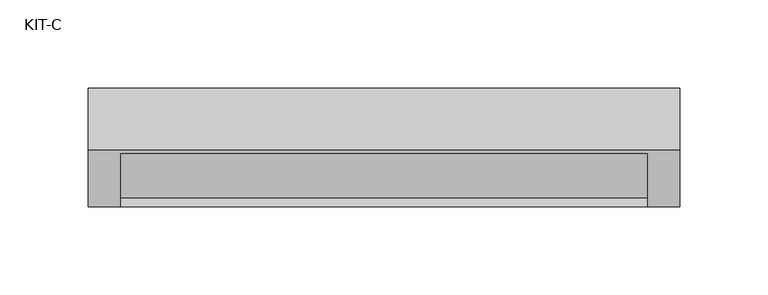
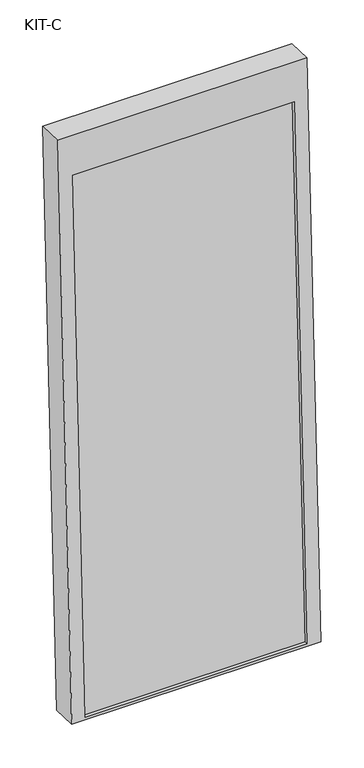
"""IFC4 building model written with IfcOpenShell, lengths in millimetres: plate geometry, KIT-C."""

from ifc_helpers import new_model, si_unit, frame, origin, place, context, project, spatial, polyline, outline, extrude, source, transform, mapped, element, save


def kit_c_53f759d0(model_context):
    return source(origin(), model_context, "Body", "SweptSolid", [
        extrude(outline(polyline([(0.0, -299.0), (0.0, 0.0), (27.4505713, 0.0), (27.4505713, -299.0), (0.0, -299.0)])), frame((-149.5, -68.910687, -49.0767088), z_axis=(0.0, 0.03973683410233643, 0.9992101801000245), x_axis=(0.0, 0.9992101801000245, -0.03973683410233643)), (0.0, 0.0, 1.0), 753.6315929),
        extrude(outline(polyline([(0.0, 0.0), (0.0, -336.0), (-812.1, -336.0), (-812.1, 0.0), (0.0, 0.0)]), holes=[polyline([(-55.0000001, -18.5), (-808.6315929, -18.5), (-808.6315929, -317.5), (-55.0000001, -317.5), (-55.0000001, -18.5)])]), frame((-168.0, -6.8019221, 757.7241058), z_axis=(0.0, -0.9992101801000246, 0.039736834102334216), x_axis=(0.0, 0.039736834102334216, 0.9992101801000246)), (0.0, 0.0, 1.0), 35.0),
    ])


if __name__ == "__main__":
    model = new_model("IFC4")
    model_context = context("Model", 3, world=origin())
    ifc_project = project(units=[si_unit("LENGTHUNIT", "METRE", prefix="MILLI")], contexts=[model_context])
    site = spatial("IfcSite", under=ifc_project)
    building = spatial("IfcBuilding", under=site)
    placement = place(None, origin())
    kit_c_shape = kit_c_53f759d0(model_context)
    element("IfcPlate", 1, ObjectType="KIT-C", at=placement, inside=building, context=model_context, shape_type="MappedRepresentation", body=[
        mapped(kit_c_shape, transform((0.0, 0.0, 0.0), x_axis=(1.0, 0.0, 0.0), y_axis=(0.0, 1.0, 0.0), z_axis=(0.0, 0.0, 1.0))),
    ])
    save(model, "model.ifc")
